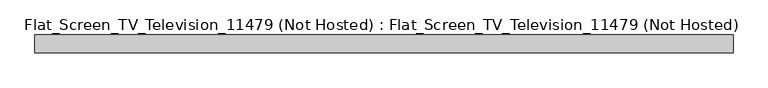
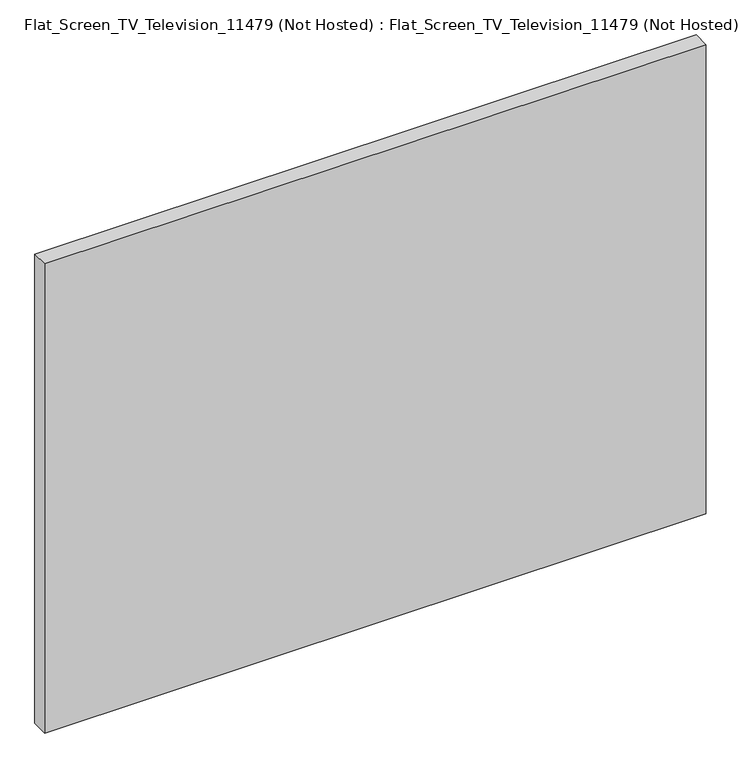
"""IFC4 building model written with IfcOpenShell, lengths in millimetres: furniture geometry, Flat_Screen_TV_Television_11479 (Not Hosted) : Flat_Screen_TV_Television_11479 (Not Hosted)."""

from ifc_helpers import new_model, si_unit, frame, origin, place, context, project, spatial, polyline, outline, extrude, faceted_brep, source, transform, mapped, element, save


def flat_screen_tv_television_11479_not_hosted_flat_screen_tv_4929df03(model_context):
    return source(origin(), model_context, "Body", "SolidModel", [
        faceted_brep([(644.7003264, -219.5398437, 500.0), (-555.2996736, -219.5398437, 500.0), (-555.2996736, -219.5398437, 1400.0), (644.7003264, -219.5398437, 1400.0), (619.3003264, -219.5398437, 538.1), (619.3003264, -219.5398437, 1374.6), (-529.8996736, -219.5398437, 1374.6), (-529.8996736, -219.5398437, 538.1), (644.7003264, -250.0, 500.0), (644.7003264, -250.0, 1400.0), (-555.2996736, -250.0, 1400.0), (-555.2996736, -250.0, 500.0), (619.3003264, -232.2398437, 538.1), (-529.8996736, -232.2398437, 538.1), (-529.8996736, -232.2398437, 1374.6), (619.3003264, -232.2398437, 1374.6)], [[[0, 1, 2, 3], [4, 5, 6, 7]], [[8, 9, 10, 11]], [[1, 0, 8, 11]], [[2, 1, 11, 10]], [[3, 2, 10, 9]], [[0, 3, 9, 8]], [[12, 13, 14, 15]], [[12, 15, 5, 4]], [[15, 14, 6, 5]], [[14, 13, 7, 6]], [[13, 12, 4, 7]]]),
        extrude(outline(polyline([(-529.8996736, -222.7148437), (619.3003264, -222.7148437), (619.3003264, -232.2398437), (-529.8996736, -232.2398437), (-529.8996736, -222.7148437)])), frame((0.0, 0.0, 538.1), z_axis=(0.0, 0.0, 1.0), x_axis=(1.0, 0.0, 0.0)), (0.0, 0.0, 1.0), 836.5),
    ])


if __name__ == "__main__":
    model = new_model("IFC4")
    model_context = context("Model", 3, world=origin())
    ifc_project = project(units=[si_unit("LENGTHUNIT", "METRE", prefix="MILLI")], contexts=[model_context])
    site = spatial("IfcSite", under=ifc_project)
    building = spatial("IfcBuilding", under=site)
    placement = place(None, origin())
    flat_screen_tv_television_11479_not_hosted_flat_screen_tv_shape = flat_screen_tv_television_11479_not_hosted_flat_screen_tv_4929df03(model_context)
    element("IfcFurniture", 1, ObjectType="Flat_Screen_TV_Television_11479 (Not Hosted) : Flat_Screen_TV_Television_11479 (Not Hosted)", at=placement, inside=building, context=model_context, shape_type="MappedRepresentation", body=[
        mapped(flat_screen_tv_television_11479_not_hosted_flat_screen_tv_shape, transform((0.0, 0.0, 0.0), x_axis=(1.0, 0.0, 0.0), y_axis=(0.0, 1.0, 0.0), z_axis=(0.0, 0.0, 1.0))),
    ])
    save(model, "model.ifc")
